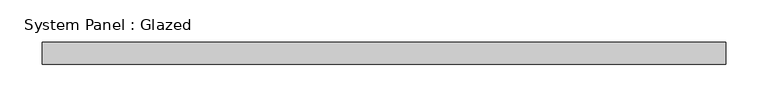
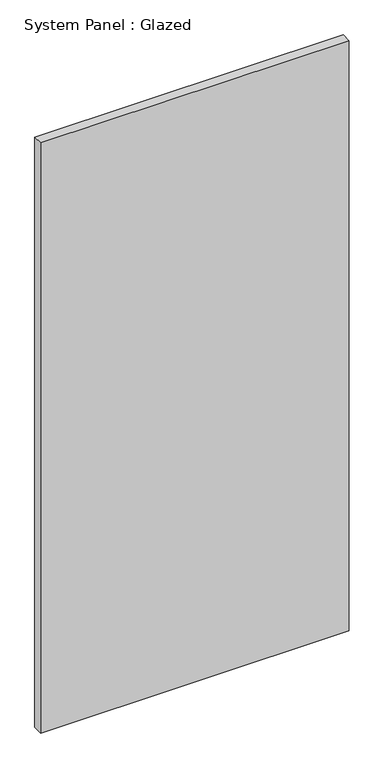
"""IFC4 building model written with IfcOpenShell, lengths in millimetres: plate geometry, System Panel : Glazed."""

from ifc_helpers import new_model, si_unit, origin, origin_with_axes, place, context, project, spatial, polyline, outline, extrude, source, transform, mapped, element, save


def system_panel_glazed_b47bc1c0(model_context):
    return source(origin(), model_context, "Body", "SweptSolid", [
        extrude(outline(polyline([(402.2251713, -12.7), (-402.2251713, -12.7), (-402.2251713, 12.7), (402.2251713, 12.7), (402.2251713, -12.7)])), origin_with_axes(), (0.0, 0.0, 1.0), 1625.6),
    ])


if __name__ == "__main__":
    model = new_model("IFC4")
    model_context = context("Model", 3, world=origin())
    ifc_project = project(units=[si_unit("LENGTHUNIT", "METRE", prefix="MILLI")], contexts=[model_context])
    site = spatial("IfcSite", under=ifc_project)
    building = spatial("IfcBuilding", under=site)
    placement = place(None, origin())
    system_panel_glazed_shape = system_panel_glazed_b47bc1c0(model_context)
    element("IfcPlate", 1, ObjectType="System Panel : Glazed", at=placement, inside=building, context=model_context, shape_type="MappedRepresentation", body=[
        mapped(system_panel_glazed_shape, transform((0.0, 0.0, 0.0), x_axis=(1.0, 0.0, 0.0), y_axis=(0.0, 1.0, 0.0), z_axis=(0.0, 0.0, 1.0))),
    ])
    save(model, "model.ifc")
